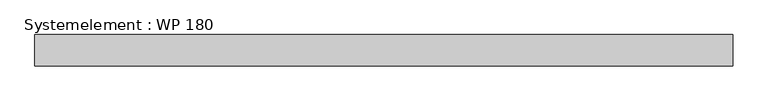
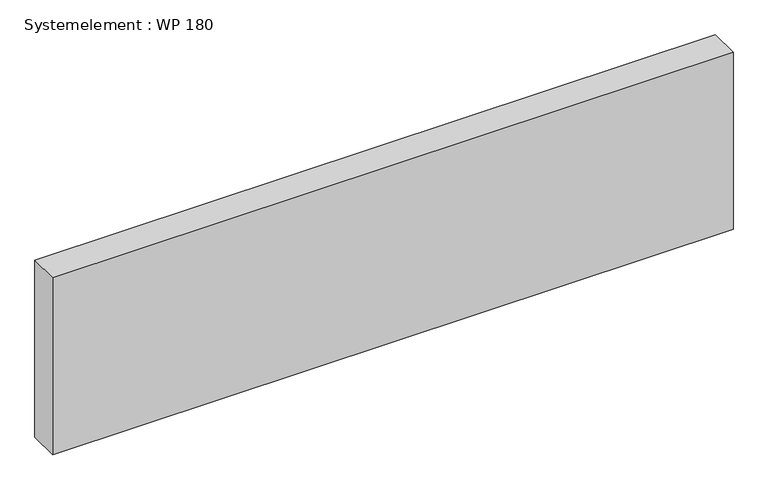
"""IFC4 building model written with IfcOpenShell, lengths in millimetres: plate geometry, Systemelement : WP 180."""

from ifc_helpers import new_model, si_unit, origin, origin_with_axes, place, context, project, spatial, polyline, outline, extrude, source, transform, mapped, element, save


def systemelement_wp_180_f04081cd(model_context):
    return source(origin(), model_context, "Body", "SweptSolid", [
        extrude(outline(polyline([(2000.0, -180.0), (-2000.0, -180.0), (-2000.0, 0.0), (2000.0, 0.0), (2000.0, -180.0)])), origin_with_axes(), (0.0, 0.0, 1.0), 1100.0),
    ])


if __name__ == "__main__":
    model = new_model("IFC4")
    model_context = context("Model", 3, world=origin())
    ifc_project = project(units=[si_unit("LENGTHUNIT", "METRE", prefix="MILLI")], contexts=[model_context])
    site = spatial("IfcSite", under=ifc_project)
    building = spatial("IfcBuilding", under=site)
    placement = place(None, origin())
    systemelement_wp_180_shape = systemelement_wp_180_f04081cd(model_context)
    element("IfcPlate", 1, ObjectType="Systemelement : WP 180", at=placement, inside=building, context=model_context, shape_type="MappedRepresentation", body=[
        mapped(systemelement_wp_180_shape, transform((0.0, 0.0, 0.0), x_axis=(1.0, 0.0, 0.0), y_axis=(0.0, 1.0, 0.0), z_axis=(0.0, 0.0, 1.0))),
    ])
    save(model, "model.ifc")
